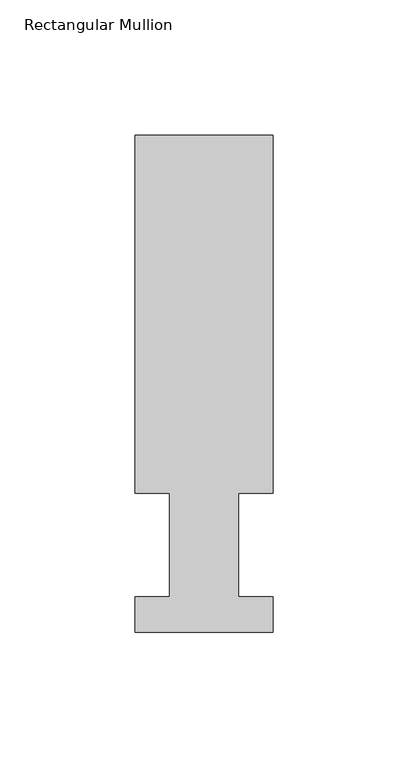
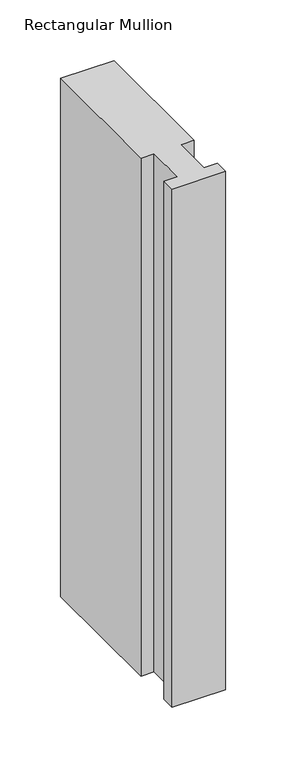
"""IFC4 building model written with IfcOpenShell, lengths in millimetres: member geometry, Rectangular Mullion."""

from ifc_helpers import new_model, si_unit, frame, origin, place, context, project, spatial, polyline, outline, extrude, source, transform, mapped, element, save


def rectangular_mullion_822dcbf1(model_context):
    return source(origin(), model_context, "Body", "SweptSolid", [
        extrude(outline(polyline([(-50.8, 51.2960937), (-50.8, 183.4446738), (0.0, 183.4446738), (0.0, 51.2960938), (-12.7, 51.2960937), (-12.7, 13.1960938), (0.0, 13.1960938), (0.0, 0.0134937), (-50.8, 0.0134937), (-50.8, 13.1960938), (-38.1, 13.1960938), (-38.1, 51.2960938), (-50.8, 51.2960937)])), frame((0.0, 0.0, -520.7), z_axis=(0.0, 0.0, 1.0), x_axis=(1.0, 0.0, 0.0)), (0.0, 0.0, 1.0), 520.7),
    ])


if __name__ == "__main__":
    model = new_model("IFC4")
    model_context = context("Model", 3, world=origin())
    ifc_project = project(units=[si_unit("LENGTHUNIT", "METRE", prefix="MILLI")], contexts=[model_context])
    site = spatial("IfcSite", under=ifc_project)
    building = spatial("IfcBuilding", under=site)
    placement = place(None, origin())
    rectangular_mullion_shape = rectangular_mullion_822dcbf1(model_context)
    element("IfcMember", 1, ObjectType="Rectangular Mullion", at=placement, inside=building, context=model_context, shape_type="MappedRepresentation", body=[
        mapped(rectangular_mullion_shape, transform((0.0, 0.0, 0.0), x_axis=(1.0, 0.0, 0.0), y_axis=(0.0, 1.0, 0.0), z_axis=(0.0, 0.0, 1.0))),
    ])
    save(model, "model.ifc")
